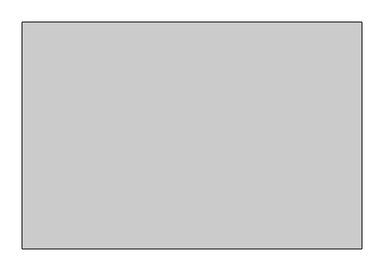
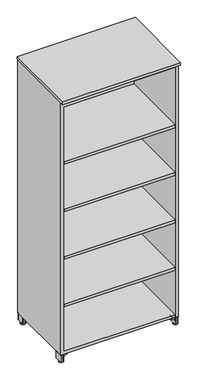
"""IFC4 building model written with IfcOpenShell, lengths in millimetres: furniture geometry."""

from ifc_helpers import new_model, si_unit, origin, place, context, project, spatial, triangles, source, transform, mapped, element, save


def furniture_9087ce12(model_context):
    return source(origin(), model_context, "Body", "Tessellation", [
        triangles([(745.0435495, -34.5682729, 0.5205074), (744.0041508, -28.8797983, 0.0), (747.3822876, -34.7310128, 0.0), (750.7604971, -36.3020515, 0.1201563), (742.3780872, -28.8797983, 1.2314809), (747.2344769, -36.6015654, 1.1125141), (759.142907, -28.8797983, 1.2314809), (754.28659, -36.6015654, 1.1125141), (756.4775173, -34.5682729, 0.5205074), (750.7604971, -37.0018952, 0.5768835), (754.1387066, -34.7310128, 0.0), (757.5169161, -28.8797983, 0.0), (743.0584236, -28.8797983, 0.3917094), (758.4625706, -28.8797983, 0.3917094), (742.6570673, -28.8797983, 0.5579616), (755.0911921, -36.380794, 1.905), (759.421887, -28.8797983, 1.905), (746.4298021, -36.380794, 1.905), (758.8639269, -28.8797983, 0.5579616), (742.0991072, -28.8797983, 1.905), (756.4775173, -23.1913261, 0.5205074), (754.1387066, -23.0285862, 0.0), (745.0435495, -23.1913261, 0.5205074), (747.3822876, -23.0285862, 0.0), (754.28659, -21.1580336, 1.1125141), (747.2344769, -21.1580336, 1.1125141), (750.7604971, -21.4575475, 0.1201563), (750.7604971, -20.7577015, 0.5768835), (746.4298021, -21.3788073, 1.905), (755.0911921, -21.3788073, 1.905), (746.4298021, -36.380794, 4.3733222), (742.0991072, -28.8797983, 4.3733222), (755.0911921, -36.380794, 4.3733222), (759.421887, -28.8797983, 4.3733222), (755.0911921, -21.3788073, 4.3733222), (746.4298021, -21.3788073, 4.3733222), (742.3780872, -28.8797983, 5.0468412), (756.4775173, -34.5682729, 5.7578148), (754.1387066, -34.7310128, 6.278322), (750.7604971, -36.3020515, 6.1581656), (744.0041508, -28.8797983, 6.278322), (743.0584236, -28.8797983, 5.8866127), (745.0435495, -34.5682729, 5.7578148), (750.7604971, -37.0018952, 5.7014388), (747.2344769, -36.6015654, 5.1658082), (747.3822876, -34.7310128, 6.278322), (758.8639269, -28.8797983, 5.7203608), (759.142907, -28.8797983, 5.0468412), (742.6570673, -28.8797983, 5.7203608), (754.28659, -36.6015654, 5.1658082), (757.5169161, -28.8797983, 6.278322), (758.4625706, -28.8797983, 5.8866127), (754.28659, -21.1580336, 5.1658082), (756.4775173, -23.1913261, 5.7578148), (750.7604971, -20.7577015, 5.7014388), (745.0435495, -23.1913261, 5.7578148), (750.7604971, -21.4575475, 6.1581656), (754.1387066, -23.0285862, 6.278322), (747.3822876, -23.0285862, 6.278322), (747.2344769, -21.1580336, 5.1658082), (756.7347691, -28.8797983, 6.278322), (753.7476694, -34.0536786, 6.278322), (747.7733974, -34.0536786, 6.278322), (744.7862251, -28.8797983, 6.278322), (753.7476694, -23.7059181, 6.278322), (747.7733974, -23.7059181, 6.278322), (747.7733974, -34.0536786, 10.4825803), (744.7862251, -28.8797983, 10.4825803), (753.7476694, -34.0536786, 10.4825803), (756.7347691, -28.8797983, 10.4825803), (753.7476694, -23.7059181, 10.4825803), (747.7733974, -23.7059181, 10.4825803), (750.7604971, -28.8797983, 10.4825803), (750.7604971, -28.8797983, 0.0), (14.6176999, -34.7310128, 0.0), (17.9959003, -28.8797983, 0.0), (16.9565004, -34.5682729, 0.5205074), (11.2394995, -36.3020515, 0.1201563), (14.7655459, -36.6015654, 1.1125141), (19.6219196, -28.8797983, 1.2314809), (5.5224991, -34.5682729, 0.5205074), (7.7134537, -36.6015654, 1.1125141), (2.8570808, -28.8797983, 1.2314809), (11.2395006, -37.0018952, 0.5768835), (4.4831001, -28.8797983, 0.0), (7.8613002, -34.7310128, 0.0), (18.9415707, -28.8797983, 0.3917094), (3.53743, -28.8797983, 0.3917094), (19.3429395, -28.8797983, 0.5579616), (2.5780999, -28.8797983, 1.905), (6.9088, -36.380794, 1.905), (15.5702001, -36.380794, 1.905), (3.1360618, -28.8797983, 0.5579616), (19.9008996, -28.8797983, 1.905), (7.8613002, -23.0285862, 0.0), (5.5224991, -23.1913261, 0.5205074), (14.6176999, -23.0285862, 0.0), (16.9565004, -23.1913261, 0.5205074), (7.7134537, -21.1580336, 1.1125141), (14.7655459, -21.1580336, 1.1125141), (11.2394995, -20.7577015, 0.5768835), (11.2394995, -21.4575475, 0.1201563), (15.5702001, -21.3788073, 1.905), (6.9088, -21.3788073, 1.905), (15.5702001, -36.380794, 4.3733222), (19.9008996, -28.8797983, 4.3733222), (6.9088, -36.380794, 4.3733222), (2.5780999, -28.8797983, 4.3733222), (6.9088, -21.3788073, 4.3733222), (15.5702001, -21.3788073, 4.3733222), (19.6219196, -28.8797983, 5.0468412), (11.2394995, -36.3020515, 6.1581656), (7.8613002, -34.7310128, 6.278322), (5.5224991, -34.5682729, 5.7578148), (16.9565004, -34.5682729, 5.7578148), (18.9415707, -28.8797983, 5.8866127), (17.9959003, -28.8797983, 6.278322), (14.7655459, -36.6015654, 5.1658082), (11.2395006, -37.0018952, 5.7014388), (14.6176999, -34.7310128, 6.278322), (2.8570808, -28.8797983, 5.0468412), (3.1360618, -28.8797983, 5.7203608), (19.3429395, -28.8797983, 5.7203608), (7.7134537, -36.6015654, 5.1658082), (4.4831001, -28.8797983, 6.278322), (3.53743, -28.8797983, 5.8866127), (5.5224991, -23.1913261, 5.7578148), (7.7134537, -21.1580336, 5.1658082), (11.2394995, -20.7577015, 5.7014388), (16.9565004, -23.1913261, 5.7578148), (7.8613002, -23.0285862, 6.278322), (11.2394995, -21.4575475, 6.1581656), (14.6176999, -23.0285862, 6.278322), (14.7655459, -21.1580336, 5.1658082), (5.2652167, -28.8797983, 6.278322), (8.2523584, -34.0536786, 6.278322), (14.2266423, -34.0536786, 6.278322), (17.213784, -28.8797983, 6.278322), (8.2523584, -23.7059181, 6.278322), (14.2266423, -23.7059181, 6.278322), (14.2266423, -34.0536786, 10.4825803), (17.213784, -28.8797983, 10.4825803), (8.2523584, -34.0536786, 10.4825803), (5.2652167, -28.8797983, 10.4825803), (8.2523584, -23.7059181, 10.4825803), (14.2266423, -23.7059181, 10.4825803), (11.2394995, -28.8797983, 10.4825803), (11.2394995, -28.8797983, 0.0), (747.3822876, -450.7899988, 0.0), (744.0041508, -456.6412042, 0.0), (745.0435495, -450.9527432, 0.5205074), (750.7604971, -449.2189828, 0.1201563), (747.2344769, -448.9194371, 1.1125141), (742.3780872, -456.6412042, 1.2314809), (756.4775173, -450.9527432, 0.5205074), (754.28659, -448.9194371, 1.1125141), (759.142907, -456.6412042, 1.2314809), (750.7604971, -448.5191345, 0.5768835), (757.5169161, -456.6412042, 0.0), (754.1387066, -450.7899988, 0.0), (743.0584236, -456.6412042, 0.3917094), (758.4625706, -456.6412042, 0.3917094), (742.6570673, -456.6412042, 0.5579616), (759.421887, -456.6412042, 1.905), (755.0911921, -449.1402085, 1.905), (746.4298021, -449.1402085, 1.905), (758.8639269, -456.6412042, 0.5579616), (742.0991072, -456.6412042, 1.905), (754.1387066, -462.4924459, 0.0), (756.4775173, -462.3297014, 0.5205074), (747.3822876, -462.4924459, 0.0), (745.0435495, -462.3297014, 0.5205074), (754.28659, -464.3629712, 1.1125141), (747.2344769, -464.3629712, 1.1125141), (750.7604971, -464.7633101, 0.5768835), (750.7604971, -464.0634619, 0.1201563), (746.4298021, -464.1421998, 1.905), (755.0911921, -464.1421998, 1.905), (746.4298021, -449.1402085, 4.3733222), (742.0991072, -456.6412042, 4.3733222), (755.0911921, -449.1402085, 4.3733222), (759.421887, -456.6412042, 4.3733222), (755.0911921, -464.1421998, 4.3733222), (746.4298021, -464.1421998, 4.3733222), (742.3780872, -456.6412042, 5.0468412), (750.7604971, -449.2189828, 6.1581656), (754.1387066, -450.7899988, 6.278322), (756.4775173, -450.9527432, 5.7578148), (745.0435495, -450.9527432, 5.7578148), (743.0584236, -456.6412042, 5.8866127), (744.0041508, -456.6412042, 6.278322), (747.2344769, -448.9194371, 5.1658082), (750.7604971, -448.5191345, 5.7014388), (747.3822876, -450.7899988, 6.278322), (759.142907, -456.6412042, 5.0468412), (758.8639269, -456.6412042, 5.7203608), (742.6570673, -456.6412042, 5.7203608), (754.28659, -448.9194371, 5.1658082), (757.5169161, -456.6412042, 6.278322), (758.4625706, -456.6412042, 5.8866127), (756.4775173, -462.3297014, 5.7578148), (754.28659, -464.3629712, 5.1658082), (750.7604971, -464.7633101, 5.7014388), (745.0435495, -462.3297014, 5.7578148), (754.1387066, -462.4924459, 6.278322), (750.7604971, -464.0634619, 6.1581656), (747.3822876, -462.4924459, 6.278322), (747.2344769, -464.3629712, 5.1658082), (756.7347691, -456.6412042, 6.278322), (753.7476694, -451.4673194, 6.278322), (747.7733974, -451.4673194, 6.278322), (744.7862251, -456.6412042, 6.278322), (753.7476694, -461.8150889, 6.278322), (747.7733974, -461.8150889, 6.278322), (747.7733974, -451.4673194, 10.4825803), (744.7862251, -456.6412042, 10.4825803), (753.7476694, -451.4673194, 10.4825803), (756.7347691, -456.6412042, 10.4825803), (753.7476694, -461.8150889, 10.4825803), (747.7733974, -461.8150889, 10.4825803), (750.7604971, -456.6412042, 10.4825803), (750.7604971, -456.6412042, 0.0), (16.9565004, -450.9527432, 0.5205074), (17.9959003, -456.6412042, 0.0), (14.6176999, -450.7899988, 0.0), (11.2394995, -449.2189828, 0.1201563), (19.6219196, -456.6412042, 1.2314809), (14.7655459, -448.9194371, 1.1125141), (2.8570808, -456.6412042, 1.2314809), (7.7134537, -448.9194371, 1.1125141), (5.5224991, -450.9527432, 0.5205074), (11.2395006, -448.5191345, 0.5768835), (7.8613002, -450.7899988, 0.0), (4.4831001, -456.6412042, 0.0), (18.9415707, -456.6412042, 0.3917094), (3.53743, -456.6412042, 0.3917094), (19.3429395, -456.6412042, 0.5579616), (6.9088, -449.1402085, 1.905), (2.5780999, -456.6412042, 1.905), (15.5702001, -449.1402085, 1.905), (3.1360618, -456.6412042, 0.5579616), (19.9008996, -456.6412042, 1.905), (5.5224991, -462.3297014, 0.5205074), (7.8613002, -462.4924459, 0.0), (16.9565004, -462.3297014, 0.5205074), (14.6176999, -462.4924459, 0.0), (7.7134537, -464.3629712, 1.1125141), (14.7655459, -464.3629712, 1.1125141), (11.2394995, -464.0634619, 0.1201563), (11.2394995, -464.7633101, 0.5768835), (15.5702001, -464.1421998, 1.905), (6.9088, -464.1421998, 1.905), (15.5702001, -449.1402085, 4.3733222), (19.9008996, -456.6412042, 4.3733222), (6.9088, -449.1402085, 4.3733222), (2.5780999, -456.6412042, 4.3733222), (6.9088, -464.1421998, 4.3733222), (15.5702001, -464.1421998, 4.3733222), (19.6219196, -456.6412042, 5.0468412), (5.5224991, -450.9527432, 5.7578148), (7.8613002, -450.7899988, 6.278322), (11.2394995, -449.2189828, 6.1581656), (17.9959003, -456.6412042, 6.278322), (18.9415707, -456.6412042, 5.8866127), (16.9565004, -450.9527432, 5.7578148), (11.2395006, -448.5191345, 5.7014388), (14.7655459, -448.9194371, 5.1658082), (14.6176999, -450.7899988, 6.278322), (3.1360618, -456.6412042, 5.7203608), (2.8570808, -456.6412042, 5.0468412), (19.3429395, -456.6412042, 5.7203608), (7.7134537, -448.9194371, 5.1658082), (4.4831001, -456.6412042, 6.278322), (3.53743, -456.6412042, 5.8866127), (7.7134537, -464.3629712, 5.1658082), (5.5224991, -462.3297014, 5.7578148), (11.2394995, -464.7633101, 5.7014388), (16.9565004, -462.3297014, 5.7578148), (11.2394995, -464.0634619, 6.1581656), (7.8613002, -462.4924459, 6.278322), (14.6176999, -462.4924459, 6.278322), (14.7655459, -464.3629712, 5.1658082), (5.2652167, -456.6412042, 6.278322), (8.2523584, -451.4673194, 6.278322), (14.2266423, -451.4673194, 6.278322), (17.213784, -456.6412042, 6.278322), (8.2523584, -461.8150889, 6.278322), (14.2266423, -461.8150889, 6.278322), (17.213784, -456.6412042, 10.4825803), (14.2266423, -451.4673194, 10.4825803), (8.2523584, -451.4673194, 10.4825803), (5.2652167, -456.6412042, 10.4825803), (8.2523584, -461.8150889, 10.4825803), (14.2266423, -461.8150889, 10.4825803), (11.2394995, -456.6412042, 10.4825803), (11.2394995, -456.6412042, 0.0)], [[1, 2, 3], [1, 3, 4], [5, 1, 6], [7, 8, 9], [4, 10, 1], [9, 11, 12], [11, 4, 3], [13, 2, 1], [12, 14, 9], [15, 1, 5], [16, 7, 17], [9, 8, 10], [7, 16, 8], [6, 8, 16], [6, 16, 18], [4, 9, 10], [11, 9, 4], [13, 1, 15], [14, 19, 9], [9, 19, 7], [6, 1, 10], [20, 5, 18], [8, 6, 10], [5, 6, 18], [21, 12, 22], [23, 24, 2], [7, 21, 25], [5, 26, 23], [27, 28, 21], [21, 22, 27], [24, 27, 22], [14, 12, 21], [2, 13, 23], [27, 24, 23], [29, 5, 20], [23, 26, 28], [5, 29, 26], [30, 25, 26], [30, 26, 29], [27, 23, 28], [7, 19, 21], [14, 21, 19], [13, 15, 23], [23, 15, 5], [25, 21, 28], [17, 7, 30], [26, 25, 28], [7, 25, 30], [20, 18, 31], [20, 31, 32], [33, 31, 18], [33, 18, 16], [16, 17, 34], [16, 34, 33], [17, 30, 35], [17, 35, 34], [36, 35, 30], [36, 30, 29], [29, 20, 32], [29, 32, 36], [32, 31, 37], [38, 39, 40], [41, 42, 43], [44, 43, 45], [43, 46, 41], [37, 31, 45], [47, 38, 48], [42, 49, 43], [48, 38, 50], [33, 50, 31], [50, 45, 31], [51, 39, 38], [44, 38, 40], [52, 38, 47], [40, 46, 43], [52, 51, 38], [39, 46, 40], [37, 45, 43], [40, 43, 44], [43, 49, 37], [50, 38, 44], [34, 48, 33], [45, 50, 44], [48, 50, 33], [34, 35, 48], [48, 53, 54], [51, 52, 54], [55, 54, 53], [49, 56, 37], [52, 47, 54], [54, 57, 58], [56, 59, 57], [37, 56, 60], [54, 58, 51], [41, 59, 56], [55, 56, 57], [57, 54, 55], [60, 53, 35], [60, 35, 36], [42, 56, 49], [59, 58, 57], [42, 41, 56], [48, 35, 53], [54, 47, 48], [60, 56, 55], [32, 37, 36], [53, 60, 55], [37, 60, 36], [39, 51, 61], [39, 61, 62], [39, 62, 63], [39, 63, 46], [64, 41, 63], [41, 46, 63], [58, 65, 51], [65, 61, 51], [66, 65, 58], [66, 58, 59], [64, 66, 41], [66, 59, 41], [64, 63, 67], [64, 67, 68], [69, 67, 63], [69, 63, 62], [62, 61, 70], [62, 70, 69], [61, 65, 70], [65, 71, 70], [72, 71, 65], [72, 65, 66], [66, 64, 72], [64, 68, 72], [69, 70, 73], [73, 68, 69], [68, 67, 69], [70, 71, 73], [72, 68, 73], [72, 73, 71], [74, 12, 11], [74, 11, 3], [3, 2, 74], [22, 12, 24], [12, 74, 24], [2, 24, 74], [75, 76, 77], [78, 75, 77], [79, 77, 80], [81, 82, 83], [77, 84, 78], [85, 86, 81], [75, 78, 86], [77, 76, 87], [81, 88, 85], [80, 77, 89], [90, 83, 91], [84, 82, 81], [82, 91, 83], [91, 82, 79], [91, 79, 92], [84, 81, 78], [78, 81, 86], [89, 77, 87], [81, 93, 88], [83, 93, 81], [84, 77, 79], [92, 80, 94], [84, 79, 82], [92, 79, 80], [95, 85, 96], [76, 97, 98], [99, 96, 83], [98, 100, 80], [96, 101, 102], [102, 95, 96], [95, 102, 97], [96, 85, 88], [98, 87, 76], [98, 97, 102], [94, 80, 103], [101, 100, 98], [100, 103, 80], [100, 99, 104], [100, 104, 103], [101, 98, 102], [96, 93, 83], [93, 96, 88], [98, 89, 87], [80, 89, 98], [101, 96, 99], [104, 83, 90], [101, 99, 100], [104, 99, 83], [105, 92, 94], [105, 94, 106], [92, 105, 107], [92, 107, 91], [108, 90, 91], [108, 91, 107], [109, 104, 108], [104, 90, 108], [104, 109, 110], [104, 110, 103], [106, 94, 103], [106, 103, 110], [111, 105, 106], [112, 113, 114], [115, 116, 117], [118, 115, 119], [117, 120, 115], [118, 105, 111], [121, 114, 122], [115, 123, 116], [124, 114, 121], [118, 124, 107], [118, 107, 105], [114, 113, 125], [112, 114, 119], [122, 114, 126], [115, 120, 112], [114, 125, 126], [112, 120, 113], [115, 118, 111], [119, 115, 112], [111, 123, 115], [119, 114, 124], [107, 121, 108], [119, 124, 118], [107, 124, 121], [121, 109, 108], [127, 128, 121], [127, 126, 125], [128, 127, 129], [111, 130, 123], [127, 122, 126], [131, 132, 127], [132, 133, 130], [134, 130, 111], [125, 131, 127], [130, 133, 117], [132, 130, 129], [129, 127, 132], [109, 128, 134], [109, 134, 110], [123, 130, 116], [132, 131, 133], [130, 117, 116], [128, 109, 121], [121, 122, 127], [129, 130, 134], [110, 111, 106], [129, 134, 128], [110, 134, 111], [135, 125, 113], [135, 113, 136], [137, 136, 113], [137, 113, 120], [120, 117, 138], [120, 138, 137], [135, 139, 131], [135, 131, 125], [131, 139, 140], [131, 140, 133], [133, 140, 138], [133, 138, 117], [141, 137, 138], [141, 138, 142], [137, 141, 136], [141, 143, 136], [144, 135, 136], [144, 136, 143], [145, 139, 144], [139, 135, 144], [139, 145, 146], [139, 146, 140], [142, 138, 140], [142, 140, 146], [147, 144, 143], [147, 143, 141], [141, 142, 147], [145, 144, 147], [145, 147, 146], [142, 146, 147], [86, 85, 148], [148, 76, 75], [148, 75, 86], [85, 95, 148], [97, 76, 148], [97, 148, 95], [149, 150, 151], [152, 149, 151], [153, 151, 154], [155, 156, 157], [151, 158, 152], [159, 160, 155], [149, 152, 160], [151, 150, 161], [155, 162, 159], [154, 151, 163], [164, 157, 165], [158, 156, 155], [156, 165, 157], [165, 156, 153], [165, 153, 166], [158, 155, 152], [152, 155, 160], [163, 151, 161], [155, 167, 162], [157, 167, 155], [158, 151, 153], [166, 154, 168], [158, 153, 156], [166, 153, 154], [169, 159, 170], [150, 171, 172], [173, 170, 157], [172, 174, 154], [170, 175, 176], [176, 169, 170], [169, 176, 171], [170, 159, 162], [172, 161, 150], [172, 171, 176], [168, 154, 177], [175, 174, 172], [174, 177, 154], [174, 173, 177], [173, 178, 177], [175, 172, 176], [170, 167, 157], [167, 170, 162], [172, 163, 161], [154, 163, 172], [175, 170, 173], [178, 157, 164], [175, 173, 174], [178, 173, 157], [179, 166, 180], [166, 168, 180], [166, 179, 181], [166, 181, 165], [182, 164, 165], [182, 165, 181], [183, 178, 164], [183, 164, 182], [178, 183, 184], [178, 184, 177], [180, 168, 177], [180, 177, 184], [185, 179, 180], [186, 187, 188], [189, 190, 191], [192, 189, 193], [191, 194, 189], [192, 179, 185], [195, 188, 196], [189, 197, 190], [198, 188, 195], [192, 198, 181], [192, 181, 179], [188, 187, 199], [186, 188, 193], [196, 188, 200], [189, 194, 186], [188, 199, 200], [186, 194, 187], [189, 192, 185], [193, 189, 186], [185, 197, 189], [193, 188, 198], [181, 195, 182], [193, 198, 192], [181, 198, 195], [195, 183, 182], [201, 202, 195], [201, 200, 199], [202, 201, 203], [185, 204, 197], [201, 196, 200], [205, 206, 201], [206, 207, 204], [208, 204, 185], [199, 205, 201], [204, 207, 191], [206, 204, 203], [203, 201, 206], [183, 202, 208], [183, 208, 184], [197, 204, 190], [206, 205, 207], [204, 191, 190], [202, 183, 195], [195, 196, 201], [203, 204, 208], [184, 185, 180], [203, 208, 202], [184, 208, 185], [209, 199, 187], [209, 187, 210], [211, 210, 194], [210, 187, 194], [194, 191, 212], [194, 212, 211], [209, 213, 205], [209, 205, 199], [205, 213, 214], [205, 214, 207], [207, 214, 212], [207, 212, 191], [215, 211, 216], [211, 212, 216], [211, 215, 217], [211, 217, 210], [218, 209, 210], [218, 210, 217], [219, 213, 209], [219, 209, 218], [213, 219, 214], [219, 220, 214], [216, 212, 214], [216, 214, 220], [221, 218, 215], [218, 217, 215], [215, 216, 221], [219, 218, 221], [219, 221, 220], [216, 220, 221], [160, 159, 222], [222, 150, 149], [222, 149, 160], [159, 169, 222], [171, 150, 169], [150, 222, 169], [223, 224, 225], [223, 225, 226], [227, 223, 228], [229, 230, 231], [226, 232, 223], [231, 233, 234], [233, 226, 225], [235, 224, 223], [234, 236, 231], [237, 223, 227], [238, 229, 239], [231, 230, 232], [229, 238, 230], [228, 230, 238], [228, 238, 240], [226, 231, 232], [233, 231, 226], [235, 223, 237], [236, 241, 231], [231, 241, 229], [228, 223, 232], [242, 227, 240], [230, 228, 232], [227, 228, 240], [243, 234, 244], [245, 246, 224], [229, 243, 247], [227, 248, 245], [249, 250, 243], [243, 244, 249], [246, 249, 244], [236, 234, 243], [224, 235, 245], [249, 246, 245], [251, 227, 242], [245, 248, 250], [227, 251, 248], [252, 247, 248], [252, 248, 251], [249, 245, 250], [229, 241, 243], [236, 243, 241], [235, 237, 245], [245, 237, 227], [247, 243, 250], [239, 229, 252], [248, 247, 250], [229, 247, 252], [242, 240, 253], [242, 253, 254], [255, 253, 240], [255, 240, 238], [238, 239, 256], [238, 256, 255], [239, 252, 257], [239, 257, 256], [258, 257, 252], [258, 252, 251], [251, 242, 254], [251, 254, 258], [254, 253, 259], [260, 261, 262], [263, 264, 265], [266, 265, 267], [265, 268, 263], [259, 253, 267], [269, 260, 270], [264, 271, 265], [270, 260, 272], [255, 272, 267], [255, 267, 253], [273, 261, 260], [266, 260, 262], [274, 260, 269], [262, 268, 265], [274, 273, 260], [261, 268, 262], [259, 267, 265], [262, 265, 266], [265, 271, 259], [272, 260, 266], [256, 270, 255], [267, 272, 266], [270, 272, 255], [256, 257, 270], [270, 275, 276], [273, 274, 276], [277, 276, 275], [271, 278, 259], [274, 269, 276], [276, 279, 280], [278, 281, 279], [259, 278, 282], [276, 280, 273], [263, 281, 278], [277, 278, 279], [279, 276, 277], [282, 275, 258], [275, 257, 258], [264, 278, 271], [281, 280, 279], [264, 263, 278], [270, 257, 275], [276, 269, 270], [282, 278, 277], [254, 259, 258], [275, 282, 277], [259, 282, 258], [261, 273, 283], [261, 283, 284], [261, 284, 285], [261, 285, 268], [286, 263, 268], [286, 268, 285], [280, 287, 283], [280, 283, 273], [288, 287, 280], [288, 280, 281], [286, 288, 281], [286, 281, 263], [286, 285, 289], [285, 290, 289], [291, 290, 284], [290, 285, 284], [284, 283, 292], [284, 292, 291], [283, 287, 293], [283, 293, 292], [294, 293, 287], [294, 287, 288], [288, 286, 294], [286, 289, 294], [291, 292, 295], [295, 289, 290], [295, 290, 291], [292, 293, 295], [294, 289, 295], [294, 295, 293], [296, 234, 233], [296, 233, 225], [225, 224, 296], [244, 234, 296], [244, 296, 246], [224, 246, 296]]),
        triangles([(742.1294832, -2.3360687, 60.2665794), (736.9066189, -4.008805, 60.2665794), (747.5623638, -56.1721027, 60.2665794), (747.5623638, -1.5875003, 60.2665794), (640.6515203, -49.7023714, 60.2665794), (641.3847605, -48.5513606, 60.2665794), (641.1396446, -48.7016013, 60.2665794), (640.9345699, -48.9031378, 60.2665794), (640.7800735, -49.1456421, 60.2665794), (640.6840765, -49.4166875, 60.2665794), (742.1294832, -56.9206717, 60.2665794), (736.9066189, -58.5934075, 60.2665794), (759.421887, -2.8575001, 60.2665794), (758.4805927, -1.6307742, 60.2665794), (758.1519064, -1.5875003, 60.2665794), (758.7868967, -1.757648, 60.2665794), (759.2517666, -2.2225003, 60.2665794), (759.3786484, -2.5287996, 60.2665794), (759.049962, -1.9594747, 60.2665794), (759.421887, -54.9020994, 60.2665794), (642.4582415, -102.6354049, 60.2665794), (640.6515203, -101.4843942, 60.2665794), (640.6912708, -101.7996911, 60.2665794), (641.5263943, -102.691379, 60.2665794), (641.8384392, -102.7516769, 60.2665794), (641.2391298, -102.5555043, 60.2665794), (640.8080515, -102.095249, 60.2665794), (640.9945953, -102.3525552, 60.2665794), (642.1556437, -102.7326192, 60.2665794), (759.049962, -55.8001278, 60.2665794), (759.2517666, -55.5371034, 60.2665794), (759.3786484, -55.2308039, 60.2665794), (758.7868967, -56.0019551, 60.2665794), (758.4805927, -56.1288278, 60.2665794), (758.1519064, -56.1721027, 60.2665794), (744.87808, -56.4221829, 10.4825803), (742.2344913, -56.8969995, 10.4825803), (742.2344913, -2.3123965, 10.4825803), (758.7868967, -56.0019551, 10.4825803), (758.4805927, -56.1288278, 10.4825803), (759.049962, -55.8001278, 10.4825803), (758.1519064, -56.1721027, 10.4825803), (759.421887, -54.9020994, 10.4825803), (747.5623638, -1.5875003, 10.4825803), (747.5623638, -56.1721027, 10.4825803), (759.2517666, -55.5371034, 10.4825803), (759.3786484, -55.2308039, 10.4825803), (744.87808, -1.8375833, 10.4825803), (758.1519064, -1.5875003, 10.4825803), (759.421887, -2.8575001, 10.4825803), (758.4805927, -1.6307742, 10.4825803), (758.7868967, -1.757648, 10.4825803), (759.049962, -1.9594747, 10.4825803), (759.3786484, -2.5287996, 10.4825803), (759.2517666, -2.2225003, 10.4825803), (646.9844913, -45.9401919, 47.5665779), (641.3847605, -48.5513606, 50.922237), (729.5344671, -7.4464903, 47.5665779), (644.3263687, -47.1796783, 48.1496864), (643.1523851, -47.7271059, 48.8531954), (645.6238186, -46.5746689, 47.7140707), (642.156443, -48.1915261, 49.7919099), (734.630377, -5.070242, 46.4993783), (732.1376513, -6.2325916, 47.2969177), (736.9066189, -4.008805, 45.2078329), (640.6515203, -49.7023714, 53.4516066), (640.6515203, -101.4843942, 53.4516066), (642.4582415, -102.6354049, 49.4628466), (644.5307894, -101.6689668, 48.0598027), (729.5344671, -62.0310929, 47.5665779), (643.4246796, -102.184742, 48.6582036), (645.7331142, -101.1083179, 47.691107), (646.9844913, -100.524787, 47.5665779), (734.630377, -59.6548435, 46.4993783), (736.9066189, -58.5934075, 45.2078329), (732.1376513, -60.8171953, 47.2969177), (742.2344913, -2.3123965, 34.8665809), (741.8678713, -2.3966759, 37.8959518), (740.7925735, -2.670531, 40.7440474), (739.0911512, -3.1873321, 43.230796), (739.0911512, -57.7719324, 43.230796), (740.7925735, -57.2551308, 40.7440474), (741.8678713, -56.9812785, 37.8959518), (742.2344913, -56.8969995, 34.8665809), (640.7039881, -101.8455822, 52.9797149), (640.8062347, -102.0918335, 52.4497691), (640.957025, -102.3106428, 51.918438), (641.1578848, -102.4991487, 51.3920847), (641.4102676, -102.6469504, 50.8750651), (641.7149729, -102.7374881, 50.3733015), (642.0689484, -102.7457997, 49.8965728), (641.1775057, -48.673151, 51.3472882), (641.0049871, -48.8232099, 51.7791387), (640.8666962, -48.9951017, 52.2150405), (640.7615427, -49.1852881, 52.6525547), (640.6888727, -49.3964716, 53.086885), (14.4376884, -56.1721027, 60.2665794), (25.0934061, -4.008805, 60.2665794), (19.8705463, -2.3360687, 60.2665794), (14.4376884, -1.5875003, 60.2665794), (120.8603917, -48.7016013, 60.2665794), (120.6152214, -48.5513606, 60.2665794), (121.0654755, -48.9031378, 60.2665794), (121.3484978, -49.7023714, 60.2665794), (121.3159508, -49.4166875, 60.2665794), (121.2199719, -49.1456421, 60.2665794), (25.0934061, -58.5934075, 60.2665794), (119.5417767, -102.6354049, 60.2665794), (3.8481001, -1.5875003, 60.2665794), (3.5193999, -1.6307742, 60.2665794), (2.5780999, -2.8575001, 60.2665794), (3.2131002, -1.757648, 60.2665794), (2.6213743, -2.5287996, 60.2665794), (2.9500746, -1.9594747, 60.2665794), (2.7482479, -2.2225003, 60.2665794), (2.5780999, -54.9020994, 60.2665794), (121.3484978, -101.4843942, 60.2665794), (120.4735876, -102.691379, 60.2665794), (121.3087383, -101.7996911, 60.2665794), (120.1615608, -102.7516769, 60.2665794), (121.1919394, -102.095249, 60.2665794), (121.0054319, -102.3525552, 60.2665794), (120.7608702, -102.5555043, 60.2665794), (119.8443382, -102.7326192, 60.2665794), (2.7482479, -55.5371034, 60.2665794), (2.9500746, -55.8001278, 60.2665794), (2.6213743, -55.2308039, 60.2665794), (3.2131002, -56.0019551, 60.2665794), (3.5193999, -56.1288278, 60.2665794), (19.8705463, -56.9206717, 60.2665794), (3.8481001, -56.1721027, 60.2665794), (19.7655473, -2.3123965, 10.4825803), (19.7655473, -56.8969995, 10.4825803), (17.1219666, -56.4221829, 10.4825803), (3.8481001, -56.1721027, 10.4825803), (3.5193999, -56.1288278, 10.4825803), (3.2131002, -56.0019551, 10.4825803), (2.9500746, -55.8001278, 10.4825803), (14.4376884, -56.1721027, 10.4825803), (14.4376884, -1.5875003, 10.4825803), (2.5780999, -54.9020994, 10.4825803), (2.7482479, -55.5371034, 10.4825803), (2.6213743, -55.2308039, 10.4825803), (17.1219666, -1.8375833, 10.4825803), (2.5780999, -2.8575001, 10.4825803), (3.8481001, -1.5875003, 10.4825803), (3.2131002, -1.757648, 10.4825803), (3.5193999, -1.6307742, 10.4825803), (2.9500746, -1.9594747, 10.4825803), (2.6213743, -2.5287996, 10.4825803), (2.7482479, -2.2225003, 10.4825803), (120.6152214, -48.5513606, 50.922237), (115.015545, -45.9401919, 47.5665779), (32.4655465, -7.4464903, 47.5665779), (118.8475967, -47.7271059, 48.8531954), (117.6736313, -47.1796783, 48.1496864), (116.3761905, -46.5746689, 47.7140707), (119.8435479, -48.1915261, 49.7919099), (29.8623306, -6.2325916, 47.2969177), (27.3696661, -5.070242, 46.4993783), (25.0934061, -4.008805, 45.2078329), (121.3484978, -101.4843942, 53.4516066), (121.3484978, -49.7023714, 53.4516066), (117.469247, -101.6689668, 48.0598027), (119.5417767, -102.6354049, 49.4628466), (32.4655465, -62.0310929, 47.5665779), (118.5753204, -102.184742, 48.6582036), (116.2669403, -101.1083179, 47.691107), (115.015545, -100.524787, 47.5665779), (25.0934061, -58.5934075, 45.2078329), (27.3696661, -59.6548435, 46.4993783), (29.8623306, -60.8171953, 47.2969177), (19.7655473, -2.3123965, 34.8665809), (20.1321401, -2.3966759, 37.8959518), (22.9088783, -3.1873321, 43.230796), (21.2074196, -2.670531, 40.7440474), (22.9088783, -57.7719324, 43.230796), (21.2074196, -57.2551308, 40.7440474), (20.1321401, -56.9812785, 37.8959518), (19.7655473, -56.8969995, 34.8665809), (121.1938107, -102.0918335, 52.4497691), (121.2960573, -101.8455822, 52.9797149), (121.042975, -102.3106428, 51.918438), (120.8421606, -102.4991487, 51.3920847), (120.2850544, -102.7374881, 50.3733015), (120.5897414, -102.6469504, 50.8750651), (119.9310426, -102.7457997, 49.8965728), (120.8225488, -48.673151, 51.3472882), (120.9949947, -48.8232099, 51.7791387), (121.1333311, -48.9951017, 52.2150405), (121.3111091, -49.3964716, 53.086885), (121.2384664, -49.1852881, 52.6525547), (747.5623638, -429.348902, 60.2665794), (736.9066189, -481.5122151, 60.2665794), (742.1294832, -483.1849328, 60.2665794), (747.5623638, -483.9335063, 60.2665794), (641.1396446, -436.8194126, 60.2665794), (641.3847605, -436.9696578, 60.2665794), (640.6515203, -435.8186379, 60.2665794), (640.9345699, -436.6178988, 60.2665794), (640.6840765, -436.10434, 60.2665794), (640.7800735, -436.3753627, 60.2665794), (736.9066189, -426.9276109, 60.2665794), (642.4582415, -382.8856044, 60.2665794), (758.1519064, -483.9335063, 60.2665794), (758.4805927, -483.8902313, 60.2665794), (759.421887, -482.6635257, 60.2665794), (758.7868967, -483.7633859, 60.2665794), (759.3786484, -482.992212, 60.2665794), (759.049962, -483.561545, 60.2665794), (759.2517666, -483.298516, 60.2665794), (759.421887, -430.618919, 60.2665794), (640.6515203, -384.0366242, 60.2665794), (641.5263943, -382.8296485, 60.2665794), (640.6912708, -383.7213092, 60.2665794), (641.8384392, -382.7693324, 60.2665794), (640.8080515, -383.4257604, 60.2665794), (641.2391298, -382.965505, 60.2665794), (640.9945953, -383.1684723, 60.2665794), (642.1556437, -382.7884083, 60.2665794), (759.2517666, -429.9839287, 60.2665794), (759.049962, -429.7208997, 60.2665794), (759.3786484, -430.2902327, 60.2665794), (758.7868967, -429.5190588, 60.2665794), (758.4805927, -429.392177, 60.2665794), (742.1294832, -428.6003649, 60.2665794), (758.1519064, -429.348902, 60.2665794), (742.2344913, -483.2086232, 10.4825803), (742.2344913, -428.624019, 10.4825803), (744.87808, -429.0988446, 10.4825803), (758.1519064, -429.348902, 10.4825803), (758.4805927, -429.392177, 10.4825803), (758.7868967, -429.5190588, 10.4825803), (759.049962, -429.7208997, 10.4825803), (747.5623638, -429.348902, 10.4825803), (759.421887, -430.618919, 10.4825803), (747.5623638, -483.9335063, 10.4825803), (759.2517666, -429.9839287, 10.4825803), (759.3786484, -430.2902327, 10.4825803), (744.87808, -483.6834489, 10.4825803), (759.421887, -482.6635257, 10.4825803), (758.1519064, -483.9335063, 10.4825803), (758.7868967, -483.7633859, 10.4825803), (758.4805927, -483.8902313, 10.4825803), (759.049962, -483.561545, 10.4825803), (759.3786484, -482.992212, 10.4825803), (759.2517666, -483.298516, 10.4825803), (641.3847605, -436.9696578, 50.922237), (646.9844913, -439.5808356, 47.5665779), (729.5344671, -478.0745253, 47.5665779), (643.1523851, -437.7939171, 48.8531954), (644.3263687, -438.3413401, 48.1496864), (645.6238186, -438.946354, 47.7140707), (642.156443, -437.3294832, 49.7919099), (732.1376513, -479.288441, 47.2969177), (734.630377, -480.450761, 46.4993783), (736.9066189, -481.5122151, 45.2078329), (640.6515203, -384.0366242, 53.4516066), (640.6515203, -435.8186379, 53.4516066), (644.5307894, -383.8520425, 48.0598027), (642.4582415, -382.8856044, 49.4628466), (729.5344671, -423.489921, 47.5665779), (643.4246796, -383.3362673, 48.6582036), (645.7331142, -384.4126914, 47.691107), (646.9844913, -384.9962314, 47.5665779), (736.9066189, -426.9276109, 45.2078329), (734.630377, -425.8661568, 46.4993783), (732.1376513, -424.7038367, 47.2969177), (742.2344913, -483.2086232, 34.8665809), (741.8678713, -483.124326, 37.8959518), (739.0911512, -482.3336766, 43.230796), (740.7925735, -482.8504692, 40.7440474), (739.0911512, -427.7490724, 43.230796), (740.7925735, -428.2659013, 40.7440474), (741.8678713, -428.5397581, 37.8959518), (742.2344913, -428.624019, 34.8665809), (640.8062347, -383.4291759, 52.4497691), (640.7039881, -383.6754181, 52.9797149), (640.957025, -383.2103665, 51.918438), (641.1578848, -383.0218606, 51.3920847), (641.7149729, -382.7835394, 50.3733015), (641.4102676, -382.8740862, 50.8750651), (642.0689484, -382.7752187, 49.8965728), (641.1775057, -436.8478629, 51.3472882), (641.0049871, -436.6977994, 51.7791387), (640.8666962, -436.5259349, 52.2150405), (640.6888727, -436.1245422, 53.086885), (640.7615427, -436.3357212, 52.6525547), (19.8705463, -483.1849328, 60.2665794), (25.0934061, -481.5122151, 60.2665794), (14.4376884, -429.348902, 60.2665794), (14.4376884, -483.9335063, 60.2665794), (121.3484978, -435.8186379, 60.2665794), (120.6152214, -436.9696578, 60.2665794), (120.8603917, -436.8194126, 60.2665794), (121.0654755, -436.6178988, 60.2665794), (121.2199719, -436.3753627, 60.2665794), (121.3159508, -436.10434, 60.2665794), (25.0934061, -426.9276109, 60.2665794), (19.8705463, -428.6003649, 60.2665794), (2.5780999, -482.6635257, 60.2665794), (3.5193999, -483.8902313, 60.2665794), (3.8481001, -483.9335063, 60.2665794), (3.2131002, -483.7633859, 60.2665794), (2.7482479, -483.298516, 60.2665794), (2.6213743, -482.992212, 60.2665794), (2.9500746, -483.561545, 60.2665794), (2.5780999, -430.618919, 60.2665794), (119.5417767, -382.8856044, 60.2665794), (121.3484978, -384.0366242, 60.2665794), (121.3087383, -383.7213092, 60.2665794), (120.4735876, -382.8296485, 60.2665794), (120.1615608, -382.7693324, 60.2665794), (120.7608702, -382.965505, 60.2665794), (121.1919394, -383.4257604, 60.2665794), (121.0054319, -383.1684723, 60.2665794), (119.8443382, -382.7884083, 60.2665794), (2.9500746, -429.7208997, 60.2665794), (2.7482479, -429.9839287, 60.2665794), (2.6213743, -430.2902327, 60.2665794), (3.2131002, -429.5190588, 60.2665794), (3.5193999, -429.392177, 60.2665794), (3.8481001, -429.348902, 60.2665794), (17.1219666, -429.0988446, 10.4825803), (19.7655473, -428.624019, 10.4825803), (19.7655473, -483.2086232, 10.4825803), (3.2131002, -429.5190588, 10.4825803), (3.5193999, -429.392177, 10.4825803), (3.8481001, -429.348902, 10.4825803), (2.9500746, -429.7208997, 10.4825803), (2.5780999, -430.618919, 10.4825803), (14.4376884, -429.348902, 10.4825803), (14.4376884, -483.9335063, 10.4825803), (2.7482479, -429.9839287, 10.4825803), (2.6213743, -430.2902327, 10.4825803), (17.1219666, -483.6834489, 10.4825803), (3.8481001, -483.9335063, 10.4825803), (2.5780999, -482.6635257, 10.4825803), (3.5193999, -483.8902313, 10.4825803), (3.2131002, -483.7633859, 10.4825803), (2.9500746, -483.561545, 10.4825803), (2.6213743, -482.992212, 10.4825803), (2.7482479, -483.298516, 10.4825803), (115.015545, -439.5808356, 47.5665779), (120.6152214, -436.9696578, 50.922237), (32.4655465, -478.0745253, 47.5665779), (117.6736313, -438.3413401, 48.1496864), (118.8475967, -437.7939171, 48.8531954), (116.3761905, -438.946354, 47.7140707), (119.8435479, -437.3294832, 49.7919099), (27.3696661, -480.450761, 46.4993783), (29.8623306, -479.288441, 47.2969177), (25.0934061, -481.5122151, 45.2078329), (121.3484978, -435.8186379, 53.4516066), (121.3484978, -384.0366242, 53.4516066), (119.5417767, -382.8856044, 49.4628466), (117.469247, -383.8520425, 48.0598027), (32.4655465, -423.489921, 47.5665779), (118.5753204, -383.3362673, 48.6582036), (116.2669403, -384.4126914, 47.691107), (115.015545, -384.9962314, 47.5665779), (27.3696661, -425.8661568, 46.4993783), (25.0934061, -426.9276109, 45.2078329), (29.8623306, -424.7038367, 47.2969177), (19.7655473, -483.2086232, 34.8665809), (20.1321401, -483.124326, 37.8959518), (21.2074196, -482.8504692, 40.7440474), (22.9088783, -482.3336766, 43.230796), (22.9088783, -427.7490724, 43.230796), (21.2074196, -428.2659013, 40.7440474), (20.1321401, -428.5397581, 37.8959518), (19.7655473, -428.624019, 34.8665809), (121.2960573, -383.6754181, 52.9797149), (121.1938107, -383.4291759, 52.4497691), (121.042975, -383.2103665, 51.918438), (120.8421606, -383.0218606, 51.3920847), (120.5897414, -382.8740862, 50.8750651), (120.2850544, -382.7835394, 50.3733015), (119.9310426, -382.7752187, 49.8965728), (120.8225488, -436.8478629, 51.3472882), (120.9949947, -436.6977994, 51.7791387), (121.1333311, -436.5259349, 52.2150405), (121.2384664, -436.3357212, 52.6525547), (121.3111091, -436.1245422, 53.086885)], [[1, 2, 3], [1, 3, 4], [5, 6, 7], [5, 7, 8], [9, 10, 5], [9, 5, 8], [2, 6, 11], [6, 12, 11], [13, 14, 4], [14, 15, 4], [16, 14, 17], [14, 18, 17], [19, 16, 17], [14, 13, 18], [20, 13, 4], [20, 4, 3], [6, 5, 12], [5, 21, 12], [22, 23, 24], [22, 24, 25], [26, 23, 27], [26, 27, 28], [29, 21, 25], [21, 22, 25], [26, 24, 23], [20, 30, 31], [20, 31, 32], [33, 30, 34], [30, 20, 34], [35, 34, 3], [34, 20, 3], [11, 3, 2], [21, 5, 22], [36, 37, 38], [39, 40, 41], [40, 42, 41], [43, 42, 44], [42, 45, 44], [46, 41, 47], [41, 42, 47], [42, 43, 47], [45, 36, 38], [45, 38, 48], [48, 44, 45], [44, 49, 50], [44, 50, 43], [49, 51, 52], [49, 52, 53], [50, 49, 54], [49, 53, 55], [49, 55, 54], [44, 4, 15], [44, 15, 49], [56, 57, 6], [58, 6, 2], [57, 59, 60], [61, 59, 57], [57, 60, 62], [63, 64, 2], [65, 63, 2], [57, 56, 61], [56, 6, 58], [64, 58, 2], [22, 5, 66], [22, 66, 67], [21, 68, 69], [12, 21, 70], [69, 68, 71], [72, 21, 69], [73, 70, 21], [73, 21, 72], [74, 75, 12], [76, 74, 12], [70, 76, 12], [3, 45, 42], [3, 42, 35], [20, 43, 50], [20, 50, 13], [48, 38, 77], [44, 77, 4], [77, 44, 48], [4, 77, 78], [79, 80, 1], [78, 79, 1], [80, 2, 1], [2, 80, 65], [78, 1, 4], [81, 12, 75], [81, 82, 11], [82, 83, 11], [12, 81, 11], [83, 84, 3], [45, 3, 84], [37, 36, 84], [45, 84, 36], [3, 11, 83], [77, 38, 37], [77, 37, 84], [56, 58, 70], [56, 70, 73], [76, 70, 58], [76, 58, 64], [75, 74, 63], [75, 63, 65], [74, 76, 64], [74, 64, 63], [81, 75, 65], [81, 65, 80], [82, 81, 80], [82, 80, 79], [84, 83, 78], [84, 78, 77], [83, 82, 79], [83, 79, 78], [28, 85, 86], [28, 86, 26], [86, 87, 26], [22, 67, 23], [23, 67, 85], [23, 85, 27], [85, 28, 27], [87, 88, 24], [25, 89, 90], [90, 91, 29], [68, 21, 91], [26, 87, 24], [29, 25, 90], [21, 29, 91], [88, 25, 24], [88, 89, 25], [18, 54, 55], [18, 55, 17], [17, 55, 53], [17, 53, 19], [13, 50, 54], [13, 54, 18], [16, 52, 51], [16, 51, 14], [14, 51, 49], [14, 49, 15], [52, 16, 19], [52, 19, 53], [6, 57, 92], [7, 92, 93], [92, 7, 6], [8, 7, 94], [7, 93, 94], [95, 96, 9], [95, 9, 8], [9, 96, 10], [66, 5, 10], [96, 66, 10], [95, 8, 94], [34, 40, 39], [34, 39, 33], [33, 39, 41], [33, 41, 30], [35, 42, 40], [35, 40, 34], [31, 46, 47], [31, 47, 32], [32, 47, 43], [32, 43, 20], [46, 31, 30], [46, 30, 41], [85, 96, 95], [94, 86, 95], [88, 93, 92], [94, 93, 87], [92, 57, 88], [96, 67, 66], [96, 85, 67], [86, 85, 95], [94, 87, 86], [93, 88, 87], [57, 89, 88], [69, 60, 59], [71, 62, 60], [61, 56, 73], [59, 61, 72], [61, 73, 72], [62, 91, 90], [89, 57, 90], [62, 71, 68], [68, 91, 62], [60, 69, 71], [59, 72, 69], [90, 57, 62], [97, 98, 99], [97, 99, 100], [101, 102, 103], [102, 104, 103], [104, 105, 106], [104, 106, 103], [102, 98, 107], [102, 107, 108], [109, 110, 111], [109, 111, 100], [110, 112, 113], [110, 113, 111], [112, 114, 115], [112, 115, 113], [100, 111, 116], [100, 116, 97], [104, 102, 117], [102, 108, 117], [118, 119, 120], [119, 117, 120], [121, 119, 122], [119, 123, 122], [117, 108, 124], [117, 124, 120], [119, 118, 123], [125, 126, 127], [126, 116, 127], [116, 126, 128], [116, 128, 129], [98, 130, 107], [116, 129, 131], [116, 131, 97], [98, 97, 130], [132, 133, 134], [135, 136, 137], [135, 137, 138], [139, 135, 140], [135, 141, 140], [135, 138, 142], [135, 142, 143], [143, 141, 135], [132, 134, 139], [139, 140, 144], [139, 144, 132], [145, 146, 140], [145, 140, 141], [147, 148, 146], [147, 146, 149], [146, 145, 150], [146, 150, 151], [151, 149, 146], [146, 109, 100], [146, 100, 140], [102, 152, 153], [98, 102, 154], [155, 156, 152], [152, 156, 157], [158, 155, 152], [98, 159, 160], [98, 160, 161], [157, 153, 152], [154, 102, 153], [98, 154, 159], [162, 163, 104], [162, 104, 117], [164, 165, 108], [166, 108, 107], [167, 165, 164], [164, 108, 168], [108, 166, 169], [168, 108, 169], [107, 170, 171], [107, 171, 172], [107, 172, 166], [135, 139, 97], [135, 97, 131], [141, 116, 111], [141, 111, 145], [173, 132, 144], [100, 173, 140], [144, 140, 173], [174, 173, 100], [99, 175, 176], [99, 176, 174], [99, 98, 175], [161, 175, 98], [100, 99, 174], [170, 107, 177], [130, 178, 177], [130, 179, 178], [130, 177, 107], [97, 180, 179], [180, 97, 139], [180, 134, 133], [134, 180, 139], [179, 130, 97], [133, 132, 173], [133, 173, 180], [166, 154, 153], [166, 153, 169], [154, 166, 172], [154, 172, 159], [160, 171, 170], [160, 170, 161], [159, 172, 171], [159, 171, 160], [161, 170, 177], [161, 177, 175], [175, 177, 178], [175, 178, 176], [174, 179, 180], [174, 180, 173], [176, 178, 179], [176, 179, 174], [181, 182, 122], [123, 181, 122], [123, 183, 181], [119, 162, 117], [182, 162, 119], [121, 182, 119], [121, 122, 182], [118, 184, 183], [185, 186, 120], [124, 187, 185], [187, 108, 165], [118, 183, 123], [185, 120, 124], [187, 124, 108], [118, 120, 184], [120, 186, 184], [151, 150, 113], [151, 113, 115], [149, 151, 115], [149, 115, 114], [150, 145, 111], [150, 111, 113], [148, 147, 112], [148, 112, 110], [146, 148, 110], [146, 110, 109], [114, 112, 147], [114, 147, 149], [188, 152, 102], [189, 188, 101], [102, 101, 188], [190, 101, 103], [190, 189, 101], [106, 191, 192], [103, 106, 192], [105, 191, 106], [105, 104, 163], [105, 163, 191], [190, 103, 192], [137, 136, 129], [137, 129, 128], [138, 137, 128], [138, 128, 126], [136, 135, 131], [136, 131, 129], [143, 142, 125], [143, 125, 127], [141, 143, 127], [141, 127, 116], [126, 125, 142], [126, 142, 138], [192, 191, 182], [192, 181, 190], [188, 189, 184], [183, 189, 190], [184, 152, 188], [163, 162, 191], [162, 182, 191], [192, 182, 181], [181, 183, 190], [183, 184, 189], [184, 186, 152], [156, 155, 164], [155, 158, 167], [169, 153, 157], [168, 157, 156], [168, 169, 157], [185, 187, 158], [185, 152, 186], [165, 167, 158], [158, 187, 165], [167, 164, 155], [164, 168, 156], [158, 152, 185], [193, 194, 195], [193, 195, 196], [197, 198, 199], [197, 199, 200], [199, 201, 202], [199, 202, 200], [198, 194, 203], [198, 203, 204], [205, 206, 196], [206, 207, 196], [206, 208, 209], [206, 209, 207], [208, 210, 211], [208, 211, 209], [196, 207, 212], [196, 212, 193], [199, 198, 204], [199, 204, 213], [214, 215, 213], [214, 213, 216], [217, 215, 218], [217, 218, 219], [213, 204, 220], [213, 220, 216], [215, 214, 218], [221, 222, 223], [222, 212, 223], [212, 222, 224], [212, 224, 225], [194, 226, 203], [212, 225, 227], [212, 227, 193], [194, 193, 226], [228, 229, 230], [231, 232, 233], [231, 233, 234], [235, 231, 236], [235, 236, 237], [231, 234, 238], [231, 238, 239], [239, 236, 231], [228, 230, 235], [235, 237, 240], [235, 240, 228], [241, 242, 236], [242, 237, 236], [243, 244, 245], [244, 242, 245], [242, 241, 246], [242, 246, 247], [247, 245, 242], [237, 242, 205], [237, 205, 196], [198, 248, 249], [194, 198, 250], [251, 252, 248], [248, 252, 253], [254, 251, 248], [194, 255, 256], [194, 256, 257], [253, 249, 248], [250, 198, 249], [194, 250, 255], [199, 213, 258], [199, 258, 259], [260, 261, 204], [262, 204, 203], [263, 261, 260], [260, 204, 264], [204, 262, 265], [264, 204, 265], [203, 266, 267], [203, 267, 268], [203, 268, 262], [193, 227, 231], [193, 231, 235], [241, 236, 212], [241, 212, 207], [269, 228, 240], [196, 269, 237], [240, 237, 269], [270, 269, 196], [195, 271, 272], [195, 272, 270], [195, 194, 271], [257, 271, 194], [196, 195, 270], [266, 203, 273], [226, 274, 273], [226, 275, 274], [226, 273, 203], [193, 276, 275], [276, 193, 235], [276, 230, 229], [230, 276, 235], [275, 226, 193], [229, 228, 269], [229, 269, 276], [262, 250, 265], [250, 249, 265], [250, 262, 268], [250, 268, 255], [256, 267, 266], [256, 266, 257], [255, 268, 267], [255, 267, 256], [257, 266, 273], [257, 273, 271], [271, 273, 274], [271, 274, 272], [270, 275, 276], [270, 276, 269], [272, 274, 275], [272, 275, 270], [277, 278, 219], [218, 277, 219], [218, 279, 277], [215, 258, 213], [278, 258, 215], [217, 278, 215], [217, 219, 278], [214, 280, 279], [281, 282, 216], [220, 283, 281], [283, 204, 261], [214, 279, 218], [281, 216, 220], [283, 220, 204], [214, 216, 280], [216, 282, 280], [247, 246, 209], [247, 209, 211], [245, 247, 211], [245, 211, 210], [246, 241, 207], [246, 207, 209], [244, 243, 208], [244, 208, 206], [242, 244, 206], [242, 206, 205], [210, 208, 243], [210, 243, 245], [284, 248, 198], [285, 284, 197], [198, 197, 284], [286, 197, 200], [286, 285, 197], [202, 287, 288], [200, 202, 288], [201, 287, 202], [201, 199, 259], [201, 259, 287], [286, 200, 288], [233, 232, 225], [233, 225, 224], [234, 233, 224], [234, 224, 222], [232, 231, 227], [232, 227, 225], [239, 238, 221], [239, 221, 223], [236, 239, 223], [236, 223, 212], [222, 221, 238], [222, 238, 234], [288, 287, 278], [288, 277, 286], [284, 285, 280], [279, 285, 286], [280, 248, 284], [259, 258, 287], [258, 278, 287], [288, 278, 277], [277, 279, 286], [279, 280, 285], [280, 282, 248], [252, 251, 260], [251, 254, 263], [265, 249, 253], [264, 253, 252], [264, 265, 253], [281, 283, 254], [281, 248, 282], [261, 263, 254], [254, 283, 261], [263, 260, 251], [260, 264, 252], [254, 248, 281], [289, 290, 291], [289, 291, 292], [293, 294, 295], [293, 295, 296], [297, 298, 296], [298, 293, 296], [290, 294, 299], [290, 299, 300], [301, 302, 303], [301, 303, 292], [304, 302, 305], [302, 306, 305], [307, 304, 305], [302, 301, 306], [308, 301, 292], [308, 292, 291], [294, 293, 299], [293, 309, 299], [310, 311, 312], [310, 312, 313], [314, 311, 315], [314, 315, 316], [317, 309, 310], [317, 310, 313], [314, 312, 311], [308, 318, 319], [308, 319, 320], [321, 318, 308], [321, 308, 322], [323, 322, 308], [323, 308, 291], [300, 291, 290], [309, 293, 310], [324, 325, 326], [327, 328, 329], [327, 329, 330], [331, 329, 332], [331, 332, 333], [334, 330, 329], [334, 329, 335], [329, 331, 335], [332, 324, 326], [332, 326, 336], [336, 333, 332], [333, 337, 331], [337, 338, 331], [337, 339, 340], [337, 340, 341], [338, 337, 342], [337, 341, 343], [337, 343, 342], [303, 337, 333], [303, 333, 292], [344, 345, 294], [346, 294, 290], [345, 347, 348], [349, 347, 345], [345, 348, 350], [351, 352, 290], [353, 351, 290], [345, 344, 349], [344, 294, 346], [352, 346, 290], [293, 354, 355], [293, 355, 310], [309, 356, 357], [299, 309, 358], [357, 356, 359], [360, 309, 357], [361, 358, 309], [361, 309, 360], [362, 363, 299], [364, 362, 299], [358, 364, 299], [329, 323, 291], [329, 291, 332], [301, 308, 331], [301, 331, 338], [336, 326, 365], [333, 365, 292], [365, 333, 336], [292, 365, 366], [367, 368, 289], [366, 367, 289], [368, 290, 289], [290, 368, 353], [366, 289, 292], [369, 299, 363], [369, 370, 300], [370, 371, 300], [299, 369, 300], [371, 372, 291], [332, 291, 372], [325, 324, 372], [332, 372, 324], [291, 300, 371], [365, 326, 325], [365, 325, 372], [344, 346, 358], [344, 358, 361], [364, 358, 346], [364, 346, 352], [363, 362, 351], [363, 351, 353], [362, 364, 352], [362, 352, 351], [369, 363, 353], [369, 353, 368], [370, 369, 368], [370, 368, 367], [372, 371, 366], [372, 366, 365], [371, 370, 367], [371, 367, 366], [316, 373, 374], [316, 374, 314], [374, 375, 314], [310, 355, 311], [311, 355, 373], [311, 373, 315], [373, 316, 315], [375, 376, 312], [313, 377, 378], [378, 379, 317], [356, 309, 379], [314, 375, 312], [317, 313, 378], [309, 317, 379], [376, 313, 312], [376, 377, 313], [306, 342, 343], [306, 343, 305], [305, 343, 341], [305, 341, 307], [301, 338, 342], [301, 342, 306], [304, 340, 339], [304, 339, 302], [302, 339, 337], [302, 337, 303], [340, 304, 307], [340, 307, 341], [294, 345, 380], [295, 380, 381], [380, 295, 294], [296, 295, 382], [295, 381, 382], [383, 384, 297], [383, 297, 296], [297, 384, 298], [354, 293, 298], [384, 354, 298], [383, 296, 382], [322, 328, 327], [322, 327, 321], [321, 327, 330], [321, 330, 318], [323, 329, 328], [323, 328, 322], [319, 334, 335], [319, 335, 320], [320, 335, 331], [320, 331, 308], [334, 319, 318], [334, 318, 330], [373, 384, 383], [382, 374, 383], [376, 381, 380], [382, 381, 375], [380, 345, 376], [384, 355, 354], [384, 373, 355], [374, 373, 383], [382, 375, 374], [381, 376, 375], [345, 377, 376], [357, 348, 347], [359, 350, 348], [349, 344, 361], [347, 349, 360], [349, 361, 360], [350, 379, 378], [377, 345, 378], [350, 359, 356], [356, 379, 350], [348, 357, 359], [347, 360, 357], [378, 345, 350]]),
        triangles([(0.0, -1e-07, 1807.1261776), (0.0, -507.9999879, 1807.1261776), (762.0, -507.9999879, 1807.1261776), (762.0, -1e-07, 1807.1261776), (762.0, -507.9999879, 1787.8221233), (0.0, -507.9999879, 1787.8221233), (0.0, -1e-07, 1787.8221233), (762.0, -1e-07, 1787.8221233)], [[1, 2, 3], [1, 3, 4], [5, 6, 7], [5, 7, 8], [1, 4, 8], [1, 8, 7], [6, 2, 1], [6, 1, 7], [2, 6, 5], [2, 5, 3], [3, 5, 8], [3, 8, 4]]),
        triangles([(21.5264999, -22.4154991, 79.570452), (21.5264999, -481.6474903, 79.570452), (740.4734797, -481.6474903, 79.570452), (740.4734797, -22.4154991, 79.570452), (740.4734797, -481.6474903, 60.2664522), (21.5264999, -481.6474903, 60.2664522), (21.5264999, -22.4154991, 60.2664522), (740.4734797, -22.4154991, 60.2664522), (741.1085426, -483.5524976, 1768.5182144), (21.5264999, -483.5524976, 1768.5182144), (21.5264999, -22.4154991, 1768.5182144), (741.1085426, -22.4154991, 1768.5182144), (21.5264999, -22.4154991, 1787.8221233), (21.5264999, -483.5524976, 1787.8221233), (741.1085426, -483.5524976, 1787.8221233), (741.1085426, -22.4154991, 1787.8221233), (20.8915005, -3.1114999, 1787.8221233), (20.8915005, -22.4154991, 1787.8221233), (741.1085426, -3.1114999, 1787.8221233), (741.1085426, -22.4154991, 60.2665794), (20.8915005, -22.4154991, 60.2665794), (20.8915005, -3.1114999, 60.2665794), (741.1085426, -3.1114999, 60.2665794), (1.5875, -483.9335063, 1787.8221233), (20.8915005, -483.9335063, 1787.8221233), (20.8915005, -1.5875003, 1787.8221233), (1.5875, -1.5875003, 1787.8221233), (760.4125242, -483.9335063, 1787.8221233), (760.4125242, -1.5875003, 1787.8221233), (741.1085426, -1.5875003, 1787.8221233), (741.1085426, -483.9335063, 1787.8221233), (20.8915005, -483.9335063, 60.2665794), (1.5875, -483.9335063, 60.2665794), (1.5875, -1.5875003, 60.2665794), (20.8915005, -1.5875003, 60.2665794), (741.1085426, -483.9335063, 60.2665794), (741.1085426, -1.5875003, 60.2665794), (760.4125242, -1.5875003, 60.2665794), (760.4125242, -483.9335063, 60.2665794), (21.5264999, -483.5524976, 1051.8824512), (21.5264999, -483.5524976, 1032.5784697), (741.0450291, -483.5524976, 1032.5784697), (741.0450291, -483.5524976, 1051.8824512), (741.0450291, -22.4154991, 1032.5784697), (741.0450291, -22.4154991, 1051.8824512), (21.5264999, -22.4154991, 1032.5784697), (21.5264999, -22.4154991, 1051.8824512), (21.5264999, -483.5524976, 727.7784697), (21.5264999, -483.5524976, 708.4744881), (741.0450291, -483.5524976, 708.4744881), (741.0450291, -483.5524976, 727.7784697), (741.0450291, -22.4154991, 708.4744881), (741.0450291, -22.4154991, 727.7784697), (21.5264999, -22.4154991, 708.4744881), (21.5264999, -22.4154991, 727.7784697), (21.5264999, -483.5524976, 403.6744517), (21.5264999, -483.5524976, 384.3704701), (741.0450291, -483.5524976, 384.3704701), (741.0450291, -483.5524976, 403.6744517), (741.0450291, -22.4154991, 384.3704701), (741.0450291, -22.4154991, 403.6744517), (21.5264999, -22.4154991, 384.3704701), (21.5264999, -22.4154991, 403.6744517), (21.5264999, -483.5524976, 1375.9865055), (21.5264999, -483.5524976, 1356.6824512), (741.0450291, -483.5524976, 1356.6824512), (741.0450291, -483.5524976, 1375.9865055), (741.0450291, -22.4154991, 1356.6824512), (741.0450291, -22.4154991, 1375.9865055), (21.5264999, -22.4154991, 1356.6824512), (21.5264999, -22.4154991, 1375.9865055)], [[1, 2, 3], [1, 3, 4], [5, 6, 7], [5, 7, 8], [1, 4, 8], [1, 8, 7], [2, 1, 7], [2, 7, 6], [2, 6, 5], [2, 5, 3], [3, 5, 8], [3, 8, 4], [9, 10, 11], [9, 11, 12], [13, 14, 15], [13, 15, 16], [13, 16, 12], [13, 12, 11], [14, 13, 11], [14, 11, 10], [14, 10, 9], [14, 9, 15], [15, 9, 12], [15, 12, 16], [17, 18, 16], [17, 16, 19], [20, 21, 22], [20, 22, 23], [22, 17, 19], [22, 19, 23], [18, 17, 22], [18, 22, 21], [18, 21, 20], [18, 20, 16], [16, 20, 23], [16, 23, 19], [24, 25, 26], [24, 26, 27], [28, 29, 30], [28, 30, 31], [32, 33, 34], [32, 34, 35], [36, 37, 38], [36, 38, 39], [34, 27, 26], [34, 26, 35], [33, 24, 27], [33, 27, 34], [24, 33, 32], [24, 32, 25], [25, 32, 35], [25, 35, 26], [36, 31, 30], [36, 30, 37], [31, 36, 39], [31, 39, 28], [28, 39, 38], [28, 38, 29], [37, 30, 29], [37, 29, 38], [40, 41, 42], [40, 42, 43], [43, 42, 44], [43, 44, 45], [45, 44, 46], [45, 46, 47], [48, 49, 50], [48, 50, 51], [51, 50, 52], [51, 52, 53], [53, 52, 54], [53, 54, 55], [56, 57, 58], [56, 58, 59], [59, 58, 60], [59, 60, 61], [61, 60, 62], [61, 62, 63], [47, 46, 41], [47, 41, 40], [55, 54, 49], [55, 49, 48], [63, 62, 57], [63, 57, 56], [47, 40, 43], [47, 43, 45], [55, 48, 51], [55, 51, 53], [59, 61, 63], [59, 63, 56], [44, 42, 41], [44, 41, 46], [52, 50, 49], [52, 49, 54], [60, 58, 57], [60, 57, 62], [64, 65, 66], [64, 66, 67], [67, 66, 68], [67, 68, 69], [69, 68, 70], [69, 70, 71], [71, 70, 65], [71, 65, 64], [71, 64, 67], [71, 67, 69], [68, 66, 65], [68, 65, 70]]),
    ])


if __name__ == "__main__":
    model = new_model("IFC4")
    model_context = context("Model", 3, world=origin())
    ifc_project = project(units=[si_unit("LENGTHUNIT", "METRE", prefix="MILLI")], contexts=[model_context])
    site = spatial("IfcSite", under=ifc_project)
    building = spatial("IfcBuilding", under=site)
    placement = place(None, origin())
    furniture_shape = furniture_9087ce12(model_context)
    element("IfcFurniture", 1, at=placement, inside=building, context=model_context, shape_type="MappedRepresentation", body=[
        mapped(furniture_shape, transform((0.0, 0.0, 0.0), x_axis=(1.0, 0.0, 0.0), y_axis=(0.0, 1.0, 0.0), z_axis=(0.0, 0.0, 1.0))),
    ])
    save(model, "model.ifc")
